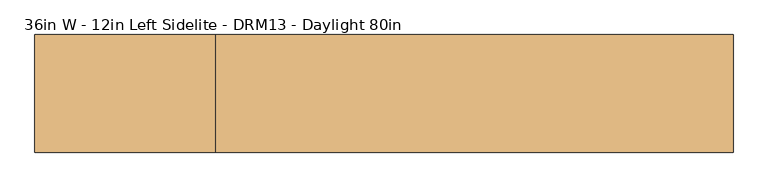
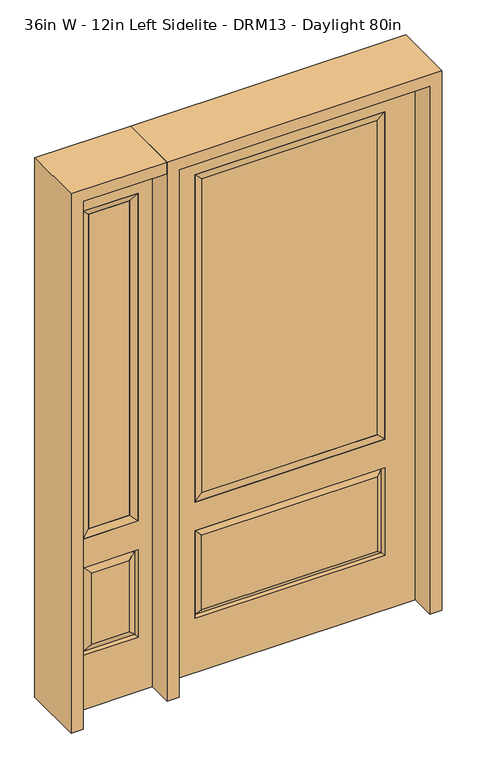
"""IFC4 building model written with IfcOpenShell, lengths in millimetres: door geometry, 36in W - 12in Left Sidelite - DRM13 - Daylight 80in."""

from ifc_helpers import new_model, si_unit, frame, origin, place, context, project, spatial, polyline, outline, extrude, faceted_brep, source, transform, mapped, element, save


def door_36in_w_12in_left_sidelite_drm13_daylight_80in_c12c0aec(model_context):
    return source(origin(), model_context, "Body", "SolidModel", [
        faceted_brep([(-806.45, -22.225, 0.0), (-501.65, -22.225, 0.0), (-501.65, -22.225, 2032.0), (-806.45, -22.225, 2032.0), (-553.72, -22.225, 1919.224), (-553.72, -22.225, 657.098), (-754.38, -22.225, 657.098), (-754.38, -22.225, 1919.224), (-553.72, -22.225, 209.55), (-754.38, -22.225, 209.55), (-754.38, -22.225, 546.1), (-553.72, -22.225, 546.1), (-722.6648999, -22.225, 241.2651001), (-585.4351001, -22.225, 241.2651001), (-585.4351001, -22.225, 514.3848999), (-722.6648999, -22.225, 514.3848999), (-806.45, 22.225, 0.0), (-806.45, 22.225, 2032.0), (-501.65, 22.225, 2032.0), (-501.65, 22.225, 0.0), (-553.72, 22.225, 1919.224), (-754.38, 22.225, 1919.224), (-754.38, 22.225, 657.098), (-553.72, 22.225, 657.098), (-754.38, 22.225, 209.55), (-553.72, 22.225, 209.55), (-553.72, 22.225, 546.1), (-754.38, 22.225, 546.1), (-585.4351001, 22.225, 241.2651001), (-722.6648999, 22.225, 241.2651001), (-722.6648999, 22.225, 514.3848999), (-585.4351001, 22.225, 514.3848999), (-560.8288501, 12.7912373, 216.6588501), (-747.2711499, 12.7912373, 216.6588501), (-747.2711499, 12.7912373, 538.9911499), (-560.8288501, 12.7912373, 538.9911499), (-747.2711499, -12.7912373, 216.6588501), (-560.8288501, -12.7912373, 216.6588501), (-747.2711499, -12.7912373, 538.9911499), (-560.8288501, -12.7912373, 538.9911499)], [[[0, 1, 2, 3], [4, 5, 6, 7], [8, 9, 10, 11]], [[12, 13, 14, 15]], [[16, 17, 18, 19], [20, 21, 22, 23], [24, 25, 26, 27]], [[28, 29, 30, 31]], [[1, 0, 16, 19]], [[2, 1, 19, 18]], [[3, 2, 18, 17]], [[0, 3, 17, 16]], [[5, 4, 20, 23]], [[6, 5, 23, 22]], [[7, 6, 22, 21]], [[4, 7, 21, 20]], [[32, 33, 29, 28]], [[33, 32, 25, 24]], [[29, 33, 34, 30]], [[33, 24, 27, 34]], [[30, 34, 35, 31]], [[34, 27, 26, 35]], [[32, 28, 31, 35]], [[25, 32, 35, 26]], [[12, 36, 37, 13]], [[37, 36, 9, 8]], [[36, 12, 15, 38]], [[9, 36, 38, 10]], [[38, 15, 14, 39]], [[10, 38, 39, 11]], [[13, 37, 39, 14]], [[37, 8, 11, 39]]]),
        faceted_brep([(-754.38, 22.225, 1919.224), (-754.38, -22.225, 1919.224), (-553.72, -22.225, 1919.224), (-553.72, 22.225, 1919.224), (-728.98, 12.7, 1893.824), (-579.12, 12.7, 1893.824), (-728.98, -12.7, 1893.824), (-579.12, -12.7, 1893.824), (-553.72, -22.225, 657.098), (-553.72, 22.225, 657.098), (-579.12, 12.7, 682.498), (-579.12, -12.7, 682.498), (-754.38, -22.225, 657.098), (-754.38, 22.225, 657.098), (-728.98, 12.7, 682.498), (-728.98, -12.7, 682.498)], [[[0, 1, 2, 3]], [[4, 0, 3, 5]], [[6, 4, 5, 7]], [[1, 6, 7, 2]], [[3, 2, 8, 9]], [[5, 3, 9, 10]], [[7, 5, 10, 11]], [[2, 7, 11, 8]], [[9, 8, 12, 13]], [[10, 9, 13, 14]], [[11, 10, 14, 15]], [[8, 11, 15, 12]], [[13, 12, 1, 0]], [[14, 13, 0, 4]], [[15, 14, 4, 6]], [[12, 15, 6, 1]]]),
        extrude(outline(polyline([(-579.12, -12.7), (-728.98, -12.7), (-728.98, 12.7), (-579.12, 12.7), (-579.12, -12.7)])), frame((0.0, 0.0, 682.498), z_axis=(0.0, 0.0, 1.0), x_axis=(1.0, 0.0, 0.0)), (0.0, 0.0, 1.0), 1211.326),
        faceted_brep([(-338.9661499, -12.7912373, 216.6588501), (338.9661499, -12.7912373, 216.6588501), (321.46875, -22.225, 234.15625), (-321.46875, -22.225, 234.15625), (-346.075, -22.225, 209.55), (346.075, -22.225, 209.55), (-338.9661499, -12.7912373, 538.9911499), (-346.075, -22.225, 546.1), (321.46875, -22.225, 521.49375), (-321.46875, -22.225, 521.49375), (457.2, -22.225, 2032.0), (-457.2, -22.225, 2032.0), (-457.2, -22.225, 0.0), (457.2, -22.225, 0.0), (346.075, -22.225, 546.1), (346.075, -22.225, 1917.7), (346.075, -22.225, 657.098), (-346.075, -22.225, 657.098), (-346.075, -22.225, 1917.7), (338.9661499, -12.7912373, 538.9911499), (-457.2, 22.225, 2032.0), (-457.2, 22.225, 0.0), (457.2, 22.225, 0.0), (457.2, 22.225, 2032.0), (346.075, 22.225, 1917.7), (346.075, 22.225, 657.098), (-346.075, 22.225, 657.098), (-346.075, 22.225, 1917.7), (-346.075, 22.225, 209.55), (346.075, 22.225, 209.55), (346.075, 22.225, 546.1), (-346.075, 22.225, 546.1), (321.46875, 22.225, 234.15625), (-321.46875, 22.225, 234.15625), (-321.46875, 22.225, 521.49375), (321.46875, 22.225, 521.49375), (-338.9661499, 12.7912373, 216.6588501), (338.9661499, 12.7912373, 216.6588501), (338.9661499, 12.7912373, 538.9911499), (-338.9661499, 12.7912373, 538.9911499)], [[[0, 1, 2, 3]], [[1, 0, 4, 5]], [[4, 0, 6, 7]], [[3, 2, 8, 9]], [[10, 11, 12, 13], [5, 4, 7, 14], [15, 16, 17, 18]], [[1, 5, 14, 19]], [[2, 1, 19, 8]], [[0, 3, 9, 6]], [[7, 6, 19, 14]], [[6, 9, 8, 19]], [[12, 11, 20, 21]], [[13, 12, 21, 22]], [[10, 13, 22, 23]], [[16, 15, 24, 25]], [[17, 16, 25, 26]], [[18, 17, 26, 27]], [[23, 22, 21, 20], [28, 29, 30, 31], [24, 27, 26, 25]], [[32, 33, 34, 35]], [[28, 36, 37, 29]], [[29, 37, 38, 30]], [[39, 31, 30, 38]], [[36, 28, 31, 39]], [[37, 36, 33, 32]], [[33, 36, 39, 34]], [[34, 39, 38, 35]], [[37, 32, 35, 38]], [[11, 10, 23, 20]], [[15, 18, 27, 24]]]),
        faceted_brep([(-346.075, -22.225, 1917.7), (-346.075, 22.225, 1917.7), (-346.075, 22.225, 657.098), (-346.075, -22.225, 657.098), (346.075, 22.225, 657.098), (346.075, -22.225, 657.098), (-320.675, 5.08, 682.498), (320.675, 5.08, 682.498), (346.075, 22.225, 1917.7), (346.075, -22.225, 1917.7), (-320.675, -20.32, 682.498), (320.675, -20.32, 682.498), (-320.675, -20.32, 1892.3), (320.675, -20.32, 1892.3), (-320.675, 5.08, 1892.3), (320.675, 5.08, 1892.3)], [[[0, 1, 2, 3]], [[3, 2, 4, 5]], [[2, 6, 7, 4]], [[5, 4, 8, 9]], [[10, 3, 5, 11]], [[12, 0, 3, 10]], [[11, 5, 9, 13]], [[6, 10, 11, 7]], [[14, 12, 10, 6]], [[7, 11, 13, 15]], [[1, 14, 6, 2]], [[4, 7, 15, 8]], [[9, 8, 1, 0]], [[13, 9, 0, 12]], [[15, 13, 12, 14]], [[8, 15, 14, 1]]]),
        extrude(outline(polyline([(320.675, -20.32), (-320.675, -20.32), (-320.675, 5.08), (320.675, 5.08), (320.675, -20.32)])), frame((0.0, 0.0, 682.498), z_axis=(0.0, 0.0, 1.0), x_axis=(1.0, 0.0, 0.0)), (0.0, 0.0, 1.0), 1209.802),
        extrude(outline(polyline([(2032.0, -501.65), (2076.45, -501.65), (2076.45, -850.9), (0.0, -850.9), (0.0, -806.45), (2032.0, -806.45), (2032.0, -501.65)])), frame((0.0, -114.3, 0.0), z_axis=(0.0, 1.0, 0.0), x_axis=(0.0, 0.0, 1.0)), (0.0, 0.0, 1.0), 228.6),
        extrude(outline(polyline([(2076.45, -501.65), (0.0, -501.65), (0.0, -457.2), (2032.0, -457.2), (2032.0, 457.2), (0.0, 457.2), (0.0, 501.65), (2076.45, 501.65), (2076.45, -501.65)])), frame((0.0, -114.3, 0.0), z_axis=(0.0, 1.0, 0.0), x_axis=(0.0, 0.0, 1.0)), (0.0, 0.0, 1.0), 228.6),
    ])


if __name__ == "__main__":
    model = new_model("IFC4")
    model_context = context("Model", 3, world=origin())
    ifc_project = project(units=[si_unit("LENGTHUNIT", "METRE", prefix="MILLI")], contexts=[model_context])
    site = spatial("IfcSite", under=ifc_project)
    building = spatial("IfcBuilding", under=site)
    placement = place(None, origin())
    door_36in_w_12in_left_sidelite_drm13_daylight_80in_shape = door_36in_w_12in_left_sidelite_drm13_daylight_80in_c12c0aec(model_context)
    element("IfcDoor", 1, ObjectType="36in W - 12in Left Sidelite - DRM13 - Daylight 80in", at=placement, inside=building, context=model_context, shape_type="MappedRepresentation", body=[
        mapped(door_36in_w_12in_left_sidelite_drm13_daylight_80in_shape, transform((0.0, 0.0, 0.0), x_axis=(1.0, 0.0, 0.0), y_axis=(0.0, 1.0, 0.0), z_axis=(0.0, 0.0, 1.0))),
    ])
    save(model, "model.ifc")
